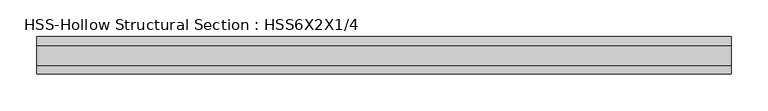
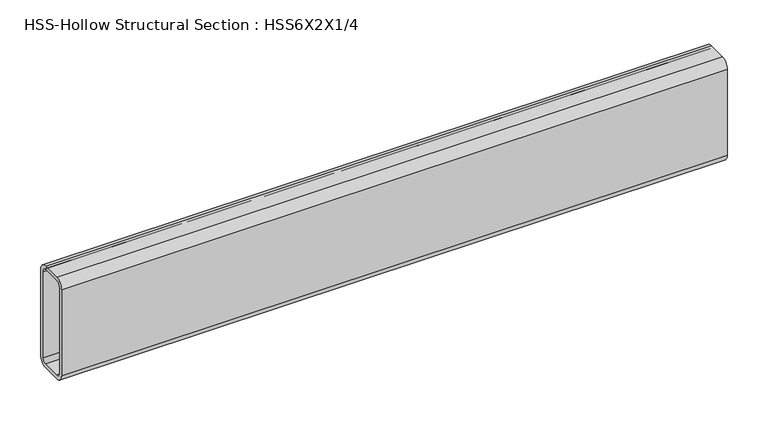
"""IFC4 building model written with IfcOpenShell, lengths in millimetres: beam geometry, HSS-Hollow Structural Section : HSS6X2X1/4."""

from ifc_helpers import new_model, si_unit, point, frame, frame_2d, origin, place, context, project, spatial, polyline, circle_curve, trimmed, segment, composite_curve, outline, extrude, source, transform, mapped, element, save


def hss_hollow_structural_section_hss6x2x1_4_906b6e0c(model_context):
    return source(origin(), model_context, "Body", "SweptSolid", [
        extrude(outline(composite_curve([segment(polyline([(25.4, 64.3636), (25.4, -64.3636)]), True, "CONTINUOUS"), segment(trimmed(circle_curve(frame_2d((13.5636, -64.3636)), 11.8364), [point((25.4, -64.3636))], [point((13.5636, -76.2))], False, "CARTESIAN"), True, "CONTINUOUS"), segment(polyline([(13.5636, -76.2), (-13.5636, -76.2)]), True, "CONTINUOUS"), segment(trimmed(circle_curve(frame_2d((-13.5636, -64.3636)), 11.8364), [point((-13.5636, -76.2))], [point((-25.4, -64.3636))], False, "CARTESIAN"), True, "CONTINUOUS"), segment(polyline([(-25.4, -64.3636), (-25.4, 64.3636)]), True, "CONTINUOUS"), segment(trimmed(circle_curve(frame_2d((-13.5636, 64.3636)), 11.8364), [point((-25.4, 64.3636))], [point((-13.5636, 76.2))], False, "CARTESIAN"), True, "CONTINUOUS"), segment(polyline([(-13.5636, 76.2), (13.5636, 76.2)]), True, "CONTINUOUS"), segment(trimmed(circle_curve(frame_2d((13.5636, 64.3636)), 11.8364), [point((13.5636, 76.2))], [point((25.4, 64.3636))], False, "CARTESIAN"), True, "CONTINUOUS")], self_intersect=False), holes=[composite_curve([segment(trimmed(circle_curve(frame_2d((-13.5636, 64.3636)), 5.9182), [point((-13.5636, 70.2818))], [point((-19.4818, 64.3636))], True, "CARTESIAN"), True, "CONTINUOUS"), segment(polyline([(-19.4818, 64.3636), (-19.4818, -64.3636)]), True, "CONTINUOUS"), segment(trimmed(circle_curve(frame_2d((-13.5636, -64.3636)), 5.9182), [point((-19.4818, -64.3636))], [point((-13.5636, -70.2818))], True, "CARTESIAN"), True, "CONTINUOUS"), segment(polyline([(-13.5636, -70.2818), (13.5636, -70.2818)]), True, "CONTINUOUS"), segment(trimmed(circle_curve(frame_2d((13.5636, -64.3636)), 5.9182), [point((13.5636, -70.2818))], [point((19.4818, -64.3636))], True, "CARTESIAN"), True, "CONTINUOUS"), segment(polyline([(19.4818, -64.3636), (19.4818, 64.3636)]), True, "CONTINUOUS"), segment(trimmed(circle_curve(frame_2d((13.5636, 64.3636)), 5.9182), [point((19.4818, 64.3636))], [point((13.5636, 70.2818))], True, "CARTESIAN"), True, "CONTINUOUS"), segment(polyline([(13.5636, 70.2818), (-13.5636, 70.2818)]), True, "CONTINUOUS")], self_intersect=False)]), frame((-471.1325047, 0.0, 0.0), z_axis=(1.0, 0.0, 0.0), x_axis=(0.0, 1.0, 0.0)), (0.0, 0.0, 1.0), 941.9004734),
    ])


if __name__ == "__main__":
    model = new_model("IFC4")
    model_context = context("Model", 3, world=origin())
    ifc_project = project(units=[si_unit("LENGTHUNIT", "METRE", prefix="MILLI")], contexts=[model_context])
    site = spatial("IfcSite", under=ifc_project)
    building = spatial("IfcBuilding", under=site)
    placement = place(None, origin())
    hss_hollow_structural_section_hss6x2x1_4_shape = hss_hollow_structural_section_hss6x2x1_4_906b6e0c(model_context)
    element("IfcBeam", 1, ObjectType="HSS-Hollow Structural Section : HSS6X2X1/4", at=placement, inside=building, context=model_context, shape_type="MappedRepresentation", body=[
        mapped(hss_hollow_structural_section_hss6x2x1_4_shape, transform((0.0, 0.0, 0.0), x_axis=(1.0, 0.0, 0.0), y_axis=(0.0, 1.0, 0.0), z_axis=(0.0, 0.0, 1.0))),
    ])
    save(model, "model.ifc")
